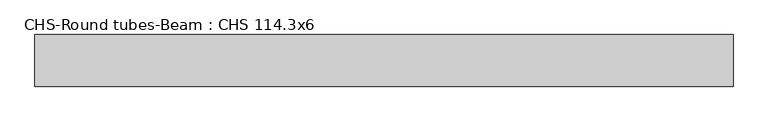
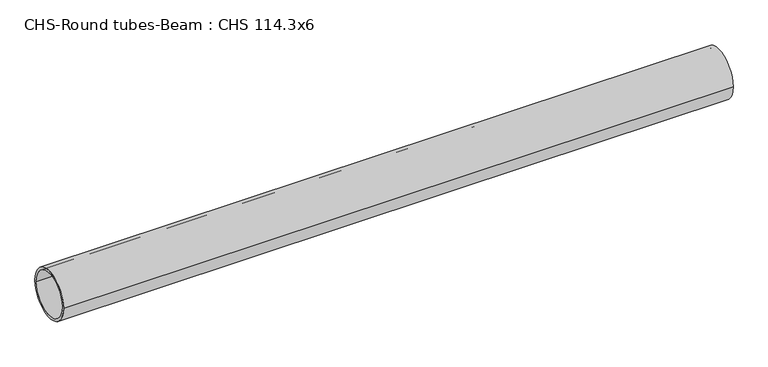
"""IFC4 building model written with IfcOpenShell, lengths in millimetres: beam geometry, CHS-Round tubes-Beam : CHS 114.3x6."""

import ifcopenshell
import ifcopenshell.guid

model = None  # the IFC model being written
_history = None  # IfcOwnerHistory: only IFC2X3 demands one
_inside = {}  # id of a spatial element -> (the spatial element, [elements in it])
_under = {}  # id of a project, library or spatial element -> (it, [spatial elements below it])
_declared = {}  # id of a project -> (the project, [libraries it declares])
_typed = {}  # id of a type object -> (the type object, [elements of that type])
_made_of = {}  # id of a material, layer set ... -> (it, [elements and type objects made of it])


def new_model(schema):
    """Start an empty IFC model of exactly this schema.

    Asked for "IFC4X3", IfcOpenShell would pick the latest addendum, in which some entities
    have other attributes; the version numbers below select the first issue.
    IFC2X3 requires an IfcOwnerHistory on every rooted entity: one is made here for all.
    """
    global model, _history
    if schema == "IFC4X3":
        model = ifcopenshell.file(schema_version=(4, 3, 0, 0))
    else:
        model = ifcopenshell.file(schema=schema)
    _inside.clear()
    _under.clear()
    _declared.clear()
    _typed.clear()
    _made_of.clear()
    _history = None
    if model.schema == "IFC2X3":
        org = make("IfcOrganization", Name="unknown")
        user = make(
            "IfcPersonAndOrganization",
            ThePerson=make("IfcPerson", FamilyName="unknown"),
            TheOrganization=org,
        )
        app = make(
            "IfcApplication",
            ApplicationDeveloper=org,
            Version="unknown",
            ApplicationFullName="unknown",
            ApplicationIdentifier="unknown",
        )
        _history = make(
            "IfcOwnerHistory",
            OwningUser=user,
            OwningApplication=app,
            ChangeAction="ADDED",
            CreationDate=0,
        )
    return model


def make(cls, **values):
    """One entity of the class cls with the attributes given. An attribute that is None is left unset."""
    return model.create_entity(
        cls, **{name: value for name, value in values.items() if value is not None}
    )


def rooted(cls, **values):
    """An entity with a GlobalId (a new one), such as an element, a storey or a relation."""
    return make(cls, GlobalId=ifcopenshell.guid.new(), OwnerHistory=_history, **values)


def si_unit(unit_type, name, prefix=None):
    """IfcSIUnit, for example si_unit("LENGTHUNIT", "METRE", prefix="MILLI")."""
    return make("IfcSIUnit", UnitType=unit_type, Prefix=prefix, Name=name)


def assignment(units):
    """IfcUnitAssignment: the units of a project."""
    return None if units is None else make("IfcUnitAssignment", Units=units)


def point(xyz):
    """IfcCartesianPoint."""
    return None if xyz is None else make("IfcCartesianPoint", Coordinates=xyz)


def direction(xyz):
    """IfcDirection."""
    return None if xyz is None else make("IfcDirection", DirectionRatios=xyz)


def frame(location, z_axis=None, x_axis=None):
    """IfcAxis2Placement3D, a coordinate frame: its origin and axes. An axis left out is left unset."""
    return make(
        "IfcAxis2Placement3D",
        Location=point(location),
        Axis=direction(z_axis),
        RefDirection=direction(x_axis),
    )


def frame_2d(location, x_axis=None):
    """IfcAxis2Placement2D, a coordinate frame in the plane: its origin and x axis."""
    return make(
        "IfcAxis2Placement2D", Location=point(location), RefDirection=direction(x_axis)
    )


def origin():
    """The frame at (0, 0, 0) with its axes left unset."""
    return frame((0.0, 0.0, 0.0))


def origin_2d():
    """The frame at (0, 0) in the plane with its x axis left unset."""
    return frame_2d((0.0, 0.0))


def place(relative_to, where):
    """IfcLocalPlacement: puts the frame where relative to a parent placement (None: the world)."""
    return make(
        "IfcLocalPlacement", PlacementRelTo=relative_to, RelativePlacement=where
    )


def context(
    kind, dimensions, precision=None, world=None, true_north=None, identifier=None
):
    """IfcGeometricRepresentationContext, for example the 3D "Model" context."""
    return make(
        "IfcGeometricRepresentationContext",
        ContextIdentifier=identifier,
        ContextType=kind,
        CoordinateSpaceDimension=dimensions,
        Precision=precision,
        WorldCoordinateSystem=world,
        TrueNorth=true_north,
    )


def project(units=None, contexts=None):
    """IfcProject with its units and contexts."""
    return rooted(
        "IfcProject",
        Name="project",
        RepresentationContexts=contexts,
        UnitsInContext=assignment(units),
    )


def spatial(cls, under=None, at=None, **own):
    """A site, building, storey or space (cls), placed at a placement, below another one or the project."""
    s = rooted(cls, ObjectPlacement=at, **own)
    if under is not None:
        _under.setdefault(under.id(), (under, []))[1].append(s)
    return s


def circle_curve(where, radius):
    """IfcCircle in the frame where."""
    return make("IfcCircle", Position=where, Radius=radius)


def trimmed(basis, trim1, trim2, sense, master):
    """IfcTrimmedCurve: the piece of a basis curve between two trims."""
    return make(
        "IfcTrimmedCurve",
        BasisCurve=basis,
        Trim1=trim1,
        Trim2=trim2,
        SenseAgreement=sense,
        MasterRepresentation=master,
    )


def segment(curve, same_sense, transition):
    """IfcCompositeCurveSegment."""
    return make(
        "IfcCompositeCurveSegment",
        Transition=transition,
        SameSense=same_sense,
        ParentCurve=curve,
    )


def composite_curve(segments, self_intersect=None):
    """IfcCompositeCurve: segments joined end to end."""
    return make("IfcCompositeCurve", Segments=segments, SelfIntersect=self_intersect)


def outline(outer, holes=None, kind="AREA"):
    """IfcArbitraryClosedProfileDef: a profile drawn as a closed curve; with holes, ...WithVoids."""
    if holes is None:
        return make("IfcArbitraryClosedProfileDef", ProfileType=kind, OuterCurve=outer)
    return make(
        "IfcArbitraryProfileDefWithVoids",
        ProfileType=kind,
        OuterCurve=outer,
        InnerCurves=holes,
    )


def extrude(swept, where, along, depth):
    """IfcExtrudedAreaSolid: the profile swept, set in the frame where, extruded along a direction by depth."""
    return make(
        "IfcExtrudedAreaSolid",
        SweptArea=swept,
        Position=where,
        ExtrudedDirection=direction(along),
        Depth=depth,
    )


def shape(context_of_items, identifier, shape_type, items):
    """IfcShapeRepresentation: the items that make up one representation, for example the "Body"."""
    return make(
        "IfcShapeRepresentation",
        ContextOfItems=context_of_items,
        RepresentationIdentifier=identifier,
        RepresentationType=shape_type,
        Items=items,
    )


def source(mapping_origin, context_of_items, identifier, shape_type, items):
    """IfcRepresentationMap: a shape defined once, which mapped items show again and again."""
    return make(
        "IfcRepresentationMap",
        MappingOrigin=mapping_origin,
        MappedRepresentation=shape(context_of_items, identifier, shape_type, items),
    )


def transform(
    local_origin,
    x_axis=None,
    y_axis=None,
    z_axis=None,
    scale=None,
    scale2=None,
    scale3=None,
    uniform=True,
):
    """IfcCartesianTransformationOperator3D, or its non-uniform kind. x_axis, y_axis, z_axis: its Axis1, 2, 3."""
    if uniform:
        return make(
            "IfcCartesianTransformationOperator3D",
            Axis1=direction(x_axis),
            Axis2=direction(y_axis),
            LocalOrigin=point(local_origin),
            Scale=scale,
            Axis3=direction(z_axis),
        )
    return make(
        "IfcCartesianTransformationOperator3DnonUniform",
        Axis1=direction(x_axis),
        Axis2=direction(y_axis),
        LocalOrigin=point(local_origin),
        Scale=scale,
        Axis3=direction(z_axis),
        Scale2=scale2,
        Scale3=scale3,
    )


def mapped(mapping_source, mapping_target):
    """IfcMappedItem: shows the shape of a source again, moved by a transform."""
    return make(
        "IfcMappedItem", MappingSource=mapping_source, MappingTarget=mapping_target
    )


def made_of(thing, what):
    """Note that an element or type object is made of a material, layer set ...; save() writes the relation."""
    if what is not None:
        _made_of.setdefault(what.id(), (what, []))[1].append(thing)
    return thing


def element(
    cls,
    number,
    at=None,
    inside=None,
    cuts=None,
    type_object=None,
    material=None,
    context=None,
    identifier="Body",
    shape_type=None,
    held_by="IfcProductDefinitionShape",
    body=None,
    shapes=None,
    **own,
):
    """One element of the class cls, such as IfcWall. Its Tag is "e" and its number.

    at: its placement. inside: the storey or other place that contains it. cuts: it is an
    opening in that element (IfcRelVoidsElement). A single representation is given by context,
    identifier, shape_type and body (its items); several are given by shapes. held_by: the class
    of the entity that holds the representations. save() writes the other relations.
    """
    e = rooted(cls, Tag="e%d" % number, ObjectPlacement=at, **own)
    if body is not None:
        shapes = [shape(context, identifier, shape_type, body)]
    if shapes is not None:
        e.Representation = make(held_by, Representations=shapes)
    if inside is not None:
        _inside.setdefault(inside.id(), (inside, []))[1].append(e)
    if cuts is not None:
        rooted(
            "IfcRelVoidsElement", RelatingBuildingElement=cuts, RelatedOpeningElement=e
        )
    if type_object is not None:
        _typed.setdefault(type_object.id(), (type_object, []))[1].append(e)
    return made_of(e, material)


def aggregate(whole, parts):
    """IfcRelAggregates: a whole, such as a stair, and the parts it consists of."""
    return rooted("IfcRelAggregates", RelatingObject=whole, RelatedObjects=parts)


def save(model, path):
    """Write the relations noted so far, then the file.

    IfcRelAggregates (storeys below a building ...), IfcRelContainedInSpatialStructure (elements
    in a storey), IfcRelDefinesByType, IfcRelAssociatesMaterial and IfcRelDeclares: one each for
    every whole, place, type object, material and project.
    """
    for whole, parts in _under.values():
        aggregate(whole, parts)
    for where, things in _inside.values():
        rooted(
            "IfcRelContainedInSpatialStructure",
            RelatedElements=things,
            RelatingStructure=where,
        )
    for kind, things in _typed.values():
        rooted("IfcRelDefinesByType", RelatedObjects=things, RelatingType=kind)
    for what, things in _made_of.values():
        rooted("IfcRelAssociatesMaterial", RelatedObjects=things, RelatingMaterial=what)
    for by, libraries in _declared.values():
        rooted("IfcRelDeclares", RelatingContext=by, RelatedDefinitions=libraries)
    model.write(path)


def chs_round_tubes_beam_chs_114_3x6_41b2fe86(model_context):
    return source(origin(), model_context, "Body", "SweptSolid", [
        extrude(outline(composite_curve([segment(trimmed(circle_curve(origin_2d(), 57.15), [point((57.15, 0.0))], [point((-57.15, 0.0))], False, "CARTESIAN"), True, "CONTINUOUS"), segment(trimmed(circle_curve(origin_2d(), 57.15), [point((-57.15, 0.0))], [point((57.15, 0.0))], False, "CARTESIAN"), True, "CONTINUOUS")], self_intersect=False), holes=[composite_curve([segment(trimmed(circle_curve(origin_2d(), 51.15), [point((51.15, 0.0))], [point((-51.15, 0.0))], True, "CARTESIAN"), True, "CONTINUOUS"), segment(trimmed(circle_curve(origin_2d(), 51.15), [point((-51.15, 0.0))], [point((51.15, 0.0))], True, "CARTESIAN"), True, "CONTINUOUS")], self_intersect=False)]), frame((-764.4383235, 0.0, 0.0), z_axis=(1.0, 0.0, 0.0), x_axis=(0.0, 1.0, 0.0)), (0.0, 0.0, 1.0), 1545.3597787),
    ])


if __name__ == "__main__":
    model = new_model("IFC4")
    model_context = context("Model", 3, world=origin())
    ifc_project = project(units=[si_unit("LENGTHUNIT", "METRE", prefix="MILLI")], contexts=[model_context])
    site = spatial("IfcSite", under=ifc_project)
    building = spatial("IfcBuilding", under=site)
    placement = place(None, origin())
    chs_round_tubes_beam_chs_114_3x6_shape = chs_round_tubes_beam_chs_114_3x6_41b2fe86(model_context)
    element("IfcBeam", 1, ObjectType="CHS-Round tubes-Beam : CHS 114.3x6", at=placement, inside=building, context=model_context, shape_type="MappedRepresentation", body=[
        mapped(chs_round_tubes_beam_chs_114_3x6_shape, transform((0.0, 0.0, 0.0), x_axis=(1.0, 0.0, 0.0), y_axis=(0.0, 1.0, 0.0), z_axis=(0.0, 0.0, 1.0))),
    ])
    save(model, "model.ifc")
